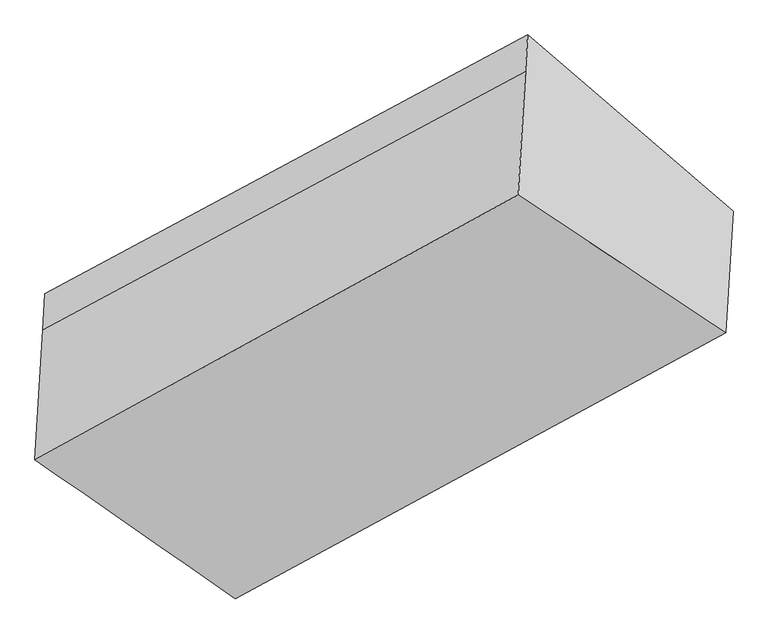
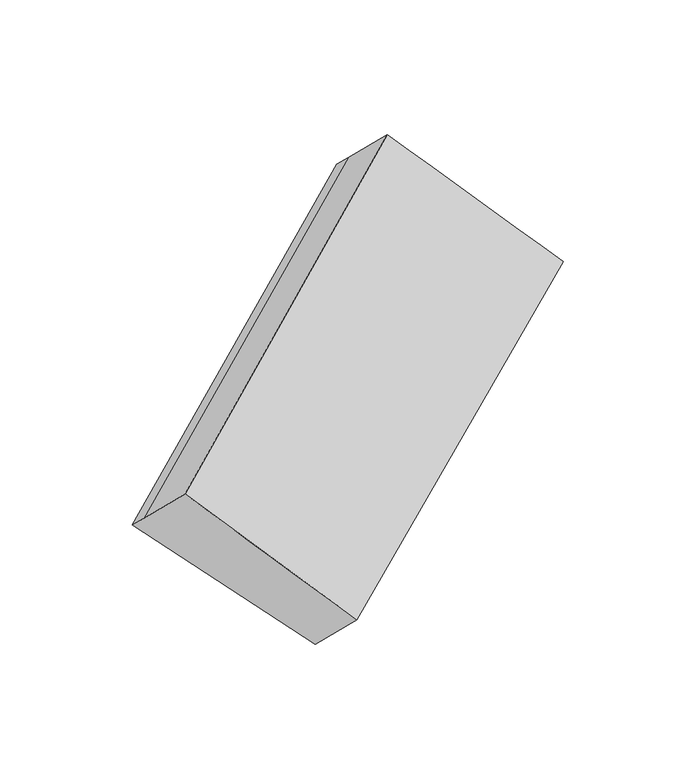
"""IFC4 building model written with IfcOpenShell, lengths in millimetres: proxy geometry."""

from ifc_helpers import new_model, si_unit, frame, origin, place, context, project, spatial, source, transform, mapped, element, save
from ifc_brep_helpers import plane_surface, spline_surface, advanced_brep


def generic_models_83921593(model_context):
    return source(origin(), model_context, "Body", "AdvancedBrep", [
        advanced_brep(
        [(-3755.1093934, -1510.0571843, 1548.2748425), (-3761.1502726, -1611.4609078, 1644.6117132), (-2406.5079671, -885.631245, 2478.3855505), (-2400.4670879, -784.2275215, 2382.0486799), (-3198.8045304, -1996.8195403, 1070.7946774), (-1824.5511984, -1278.3052182, 1898.0981475), (-3220.7543973, -2365.2755508, 1420.8399992), (-1844.9090722, -1620.0376315, 2222.7551735), (-3782.8490707, -1975.7024143, 1990.6531177), (-2427.1714035, -1232.4929086, 2807.9155329)],
        [
            (0, 1),
            (1, 2),
            (2, 3),
            (3, 0),
            (4, 0),
            (0, 5),
            (5, 4),
            (6, 4),
            (5, 7),
            (7, 6),
            (8, 6),
            (7, 9),
            (9, 8),
            (1, 8),
            (9, 2),
            (5, 3),
        ],
        [
            plane_surface(frame((-3758.129833, -1560.759046, 1596.4432779), z_axis=(-0.6310693205752538, 0.5537208780206675, 0.5432722170999627), x_axis=(-0.043149136804894704, -0.7243123105725817, 0.6881205045237357))),
            plane_surface(frame((-3476.9569619, -1753.4383623, 1309.53476), z_axis=(0.03855183372913168, 0.7218540408465732, -0.6909706939006859), x_axis=(-0.6321646171051103, 0.5531390409250291, 0.5425910967615377))),
            plane_surface(frame((-3209.7794638, -2181.0475455, 1245.8173383), z_axis=(0.622240926473967, -0.5583462905765776, -0.5486944953434425), x_axis=(0.04314913680488497, 0.7243123105725808, -0.6881205045237371))),
            spline_surface(1, 1, [[(-3782.8490707, -1975.7024143, 1990.6531177), (-2427.1714035, -1232.4929086, 2807.9155329)], [(-3220.7543973, -2365.2755508, 1420.8399992), (-1844.9090722, -1620.0376315, 2222.7551735)]], [2, 2], [2, 2], [0.0, 1.0], [0.0, 1.0]),
            plane_surface(frame((-3771.9996716, -1793.581661, 1817.6324154), z_axis=(-0.6310693205752538, 0.5537208780206629, 0.5432722170999671), x_axis=(-0.043149136804875136, -0.724312310572577, 0.6881205045237418))),
            plane_surface(frame((-2124.2746905, -1228.7658199, 2327.7043835), z_axis=(0.7672403580325616, 0.4171305386193694, 0.4871799942086921), x_axis=(0.04314913680488497, 0.7243123105725808, -0.6881205045237371))),
            plane_surface(frame((-3489.3793479, -1961.9636724, 1507.6406592), z_axis=(-0.7736317269045669, -0.41159309780114306, -0.4817520866266345), x_axis=(0.04314913680488998, 0.7243123105725832, -0.6881205045237345))),
            plane_surface(frame((-3755.1093934, -1510.0571843, 1548.2748425), z_axis=(0.03856592529773942, 0.7218080256330786, -0.6910179762767437), x_axis=(-0.6399065439570526, 0.5489752184790607, 0.5377228138147091))),
        ],
        [
            (0, [[1, 2, 3, 4]]),
            (1, [[5, 6, 7]]),
            (2, [[8, -7, 9, 10]]),
            (3, [[11, -10, 12, 13]]),
            (4, [[14, -13, 15, -2]]),
            (5, [[-9, 16, -3, -15, -12]]),
            (6, [[-1, -5, -8, -11, -14]]),
            (7, [[-16, -6, -4]]),
        ],
    ),
    ])


if __name__ == "__main__":
    model = new_model("IFC4")
    model_context = context("Model", 3, world=origin())
    ifc_project = project(units=[si_unit("LENGTHUNIT", "METRE", prefix="MILLI")], contexts=[model_context])
    site = spatial("IfcSite", under=ifc_project)
    building = spatial("IfcBuilding", under=site)
    placement = place(None, origin())
    generic_models_shape = generic_models_83921593(model_context)
    element("IfcBuildingElementProxy", 1, Name="Generic Models", at=placement, inside=building, context=model_context, shape_type="MappedRepresentation", body=[
        mapped(generic_models_shape, transform((0.0, 0.0, 0.0), x_axis=(1.0, 0.0, 0.0), y_axis=(0.0, 1.0, 0.0), z_axis=(0.0, 0.0, 1.0))),
    ])
    save(model, "model.ifc")
